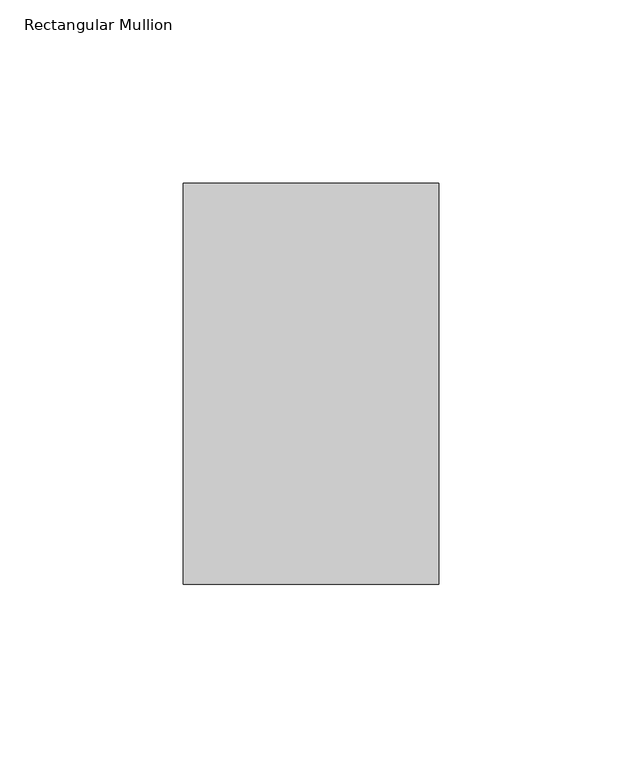
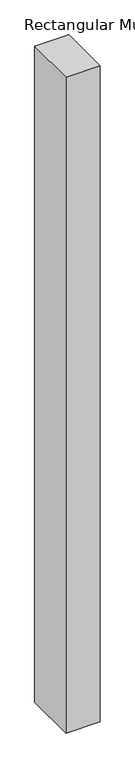
"""IFC4 building model written with IfcOpenShell, lengths in millimetres: member geometry, Rectangular Mullion."""

from ifc_helpers import new_model, si_unit, frame, origin, place, context, project, spatial, polyline, outline, extrude, source, transform, mapped, element, save


def rectangular_mullion_700f3bf7(model_context):
    return source(origin(), model_context, "Body", "SweptSolid", [
        extrude(outline(polyline([(-69.85, -83.34375), (-69.85, 26.19375), (0.0, 26.19375), (0.0, -83.34375), (-69.85, -83.34375)])), frame((0.0, 0.0, -1408.90625), z_axis=(0.0, 0.0, 1.0), x_axis=(1.0, 0.0, 0.0)), (0.0, 0.0, 1.0), 1408.90625),
    ])


if __name__ == "__main__":
    model = new_model("IFC4")
    model_context = context("Model", 3, world=origin())
    ifc_project = project(units=[si_unit("LENGTHUNIT", "METRE", prefix="MILLI")], contexts=[model_context])
    site = spatial("IfcSite", under=ifc_project)
    building = spatial("IfcBuilding", under=site)
    placement = place(None, origin())
    rectangular_mullion_shape = rectangular_mullion_700f3bf7(model_context)
    element("IfcMember", 1, ObjectType="Rectangular Mullion", at=placement, inside=building, context=model_context, shape_type="MappedRepresentation", body=[
        mapped(rectangular_mullion_shape, transform((0.0, 0.0, 0.0), x_axis=(1.0, 0.0, 0.0), y_axis=(0.0, 1.0, 0.0), z_axis=(0.0, 0.0, 1.0))),
    ])
    save(model, "model.ifc")
